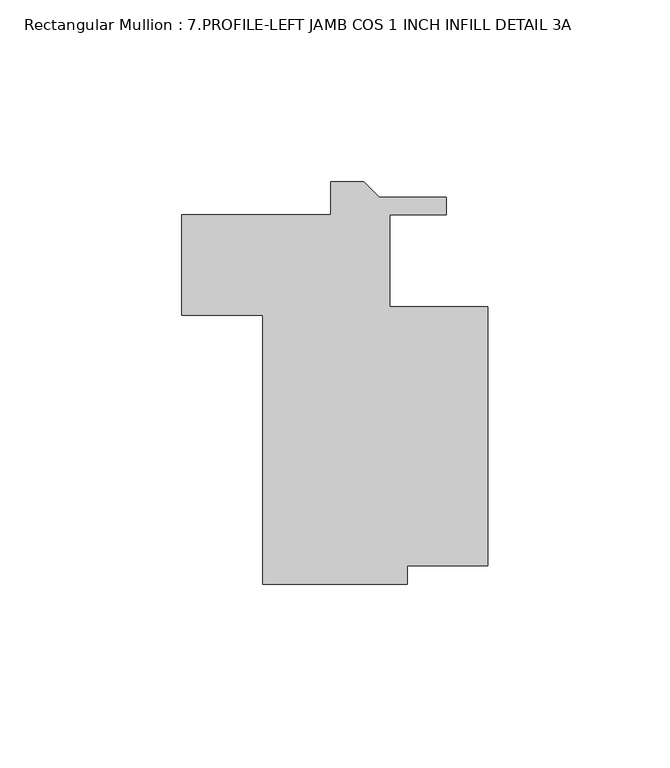
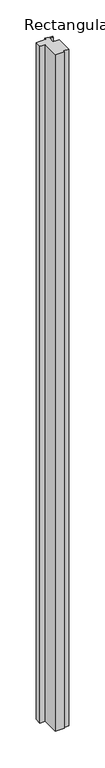
"""IFC4 building model written with IfcOpenShell, lengths in millimetres: member geometry, Rectangular Mullion : 7.PROFILE-LEFT JAMB COS 1 INCH INFILL DETAIL 3A."""

from ifc_helpers import new_model, si_unit, frame, origin, place, context, project, spatial, polyline, outline, extrude, source, transform, mapped, element, save


def rectangular_mullion_7_profile_left_jamb_cos_1_inch_infill_3e73ab54(model_context):
    return source(origin(), model_context, "Body", "SweptSolid", [
        extrude(outline(polyline([(-22.225, -9.017), (-22.225, -14.097), (-61.9125, -14.097), (-61.9125, 59.817), (-84.1308108, 59.817), (-84.1308108, 87.5037906), (-43.2363505, 87.5037906), (-43.2363505, 96.4692), (-34.1360583, 96.4692), (-29.8688583, 92.202), (-11.4863505, 92.202), (-11.4863505, 87.5029999), (-26.9875, 87.5029999), (-26.9875, 62.103), (0.0, 62.103), (0.0, -9.017), (-22.225, -9.017)])), frame((0.0, 0.0, -3048.0), z_axis=(0.0, 0.0, 1.0), x_axis=(1.0, 0.0, 0.0)), (0.0, 0.0, 1.0), 3048.0),
    ])


if __name__ == "__main__":
    model = new_model("IFC4")
    model_context = context("Model", 3, world=origin())
    ifc_project = project(units=[si_unit("LENGTHUNIT", "METRE", prefix="MILLI")], contexts=[model_context])
    site = spatial("IfcSite", under=ifc_project)
    building = spatial("IfcBuilding", under=site)
    placement = place(None, origin())
    rectangular_mullion_7_profile_left_jamb_cos_1_inch_infill_shape = rectangular_mullion_7_profile_left_jamb_cos_1_inch_infill_3e73ab54(model_context)
    element("IfcMember", 1, ObjectType="Rectangular Mullion : 7.PROFILE-LEFT JAMB COS 1 INCH INFILL DETAIL 3A", at=placement, inside=building, context=model_context, shape_type="MappedRepresentation", body=[
        mapped(rectangular_mullion_7_profile_left_jamb_cos_1_inch_infill_shape, transform((0.0, 0.0, 0.0), x_axis=(1.0, 0.0, 0.0), y_axis=(0.0, 1.0, 0.0), z_axis=(0.0, 0.0, 1.0))),
    ])
    save(model, "model.ifc")
